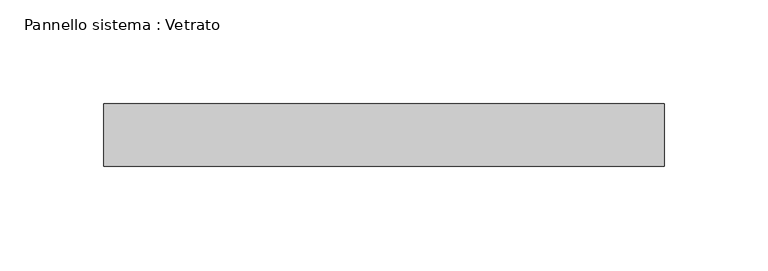
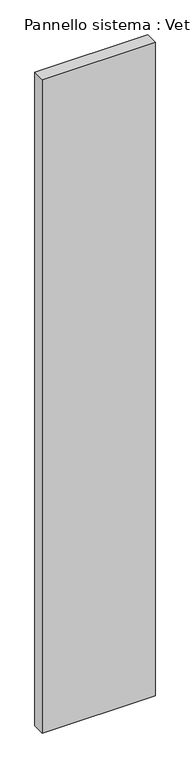
"""IFC4 building model written with IfcOpenShell, lengths in millimetres: plate geometry, Pannello sistema : Vetrato."""

import ifcopenshell
import ifcopenshell.guid

model = None  # the IFC model being written
_history = None  # IfcOwnerHistory: only IFC2X3 demands one
_inside = {}  # id of a spatial element -> (the spatial element, [elements in it])
_under = {}  # id of a project, library or spatial element -> (it, [spatial elements below it])
_declared = {}  # id of a project -> (the project, [libraries it declares])
_typed = {}  # id of a type object -> (the type object, [elements of that type])
_made_of = {}  # id of a material, layer set ... -> (it, [elements and type objects made of it])


def new_model(schema):
    """Start an empty IFC model of exactly this schema.

    Asked for "IFC4X3", IfcOpenShell would pick the latest addendum, in which some entities
    have other attributes; the version numbers below select the first issue.
    IFC2X3 requires an IfcOwnerHistory on every rooted entity: one is made here for all.
    """
    global model, _history
    if schema == "IFC4X3":
        model = ifcopenshell.file(schema_version=(4, 3, 0, 0))
    else:
        model = ifcopenshell.file(schema=schema)
    _inside.clear()
    _under.clear()
    _declared.clear()
    _typed.clear()
    _made_of.clear()
    _history = None
    if model.schema == "IFC2X3":
        org = make("IfcOrganization", Name="unknown")
        user = make(
            "IfcPersonAndOrganization",
            ThePerson=make("IfcPerson", FamilyName="unknown"),
            TheOrganization=org,
        )
        app = make(
            "IfcApplication",
            ApplicationDeveloper=org,
            Version="unknown",
            ApplicationFullName="unknown",
            ApplicationIdentifier="unknown",
        )
        _history = make(
            "IfcOwnerHistory",
            OwningUser=user,
            OwningApplication=app,
            ChangeAction="ADDED",
            CreationDate=0,
        )
    return model


def make(cls, **values):
    """One entity of the class cls with the attributes given. An attribute that is None is left unset."""
    return model.create_entity(
        cls, **{name: value for name, value in values.items() if value is not None}
    )


def rooted(cls, **values):
    """An entity with a GlobalId (a new one), such as an element, a storey or a relation."""
    return make(cls, GlobalId=ifcopenshell.guid.new(), OwnerHistory=_history, **values)


def si_unit(unit_type, name, prefix=None):
    """IfcSIUnit, for example si_unit("LENGTHUNIT", "METRE", prefix="MILLI")."""
    return make("IfcSIUnit", UnitType=unit_type, Prefix=prefix, Name=name)


def assignment(units):
    """IfcUnitAssignment: the units of a project."""
    return None if units is None else make("IfcUnitAssignment", Units=units)


def point(xyz):
    """IfcCartesianPoint."""
    return None if xyz is None else make("IfcCartesianPoint", Coordinates=xyz)


def direction(xyz):
    """IfcDirection."""
    return None if xyz is None else make("IfcDirection", DirectionRatios=xyz)


def frame(location, z_axis=None, x_axis=None):
    """IfcAxis2Placement3D, a coordinate frame: its origin and axes. An axis left out is left unset."""
    return make(
        "IfcAxis2Placement3D",
        Location=point(location),
        Axis=direction(z_axis),
        RefDirection=direction(x_axis),
    )


def origin():
    """The frame at (0, 0, 0) with its axes left unset."""
    return frame((0.0, 0.0, 0.0))


def origin_with_axes():
    """The frame at (0, 0, 0) with the z axis (0, 0, 1) and the x axis (1, 0, 0) written out."""
    return frame((0.0, 0.0, 0.0), z_axis=(0.0, 0.0, 1.0), x_axis=(1.0, 0.0, 0.0))


def place(relative_to, where):
    """IfcLocalPlacement: puts the frame where relative to a parent placement (None: the world)."""
    return make(
        "IfcLocalPlacement", PlacementRelTo=relative_to, RelativePlacement=where
    )


def context(
    kind, dimensions, precision=None, world=None, true_north=None, identifier=None
):
    """IfcGeometricRepresentationContext, for example the 3D "Model" context."""
    return make(
        "IfcGeometricRepresentationContext",
        ContextIdentifier=identifier,
        ContextType=kind,
        CoordinateSpaceDimension=dimensions,
        Precision=precision,
        WorldCoordinateSystem=world,
        TrueNorth=true_north,
    )


def project(units=None, contexts=None):
    """IfcProject with its units and contexts."""
    return rooted(
        "IfcProject",
        Name="project",
        RepresentationContexts=contexts,
        UnitsInContext=assignment(units),
    )


def spatial(cls, under=None, at=None, **own):
    """A site, building, storey or space (cls), placed at a placement, below another one or the project."""
    s = rooted(cls, ObjectPlacement=at, **own)
    if under is not None:
        _under.setdefault(under.id(), (under, []))[1].append(s)
    return s


def polyline(points):
    """IfcPolyline through the points."""
    return make("IfcPolyline", Points=[point(p) for p in points])


def outline(outer, holes=None, kind="AREA"):
    """IfcArbitraryClosedProfileDef: a profile drawn as a closed curve; with holes, ...WithVoids."""
    if holes is None:
        return make("IfcArbitraryClosedProfileDef", ProfileType=kind, OuterCurve=outer)
    return make(
        "IfcArbitraryProfileDefWithVoids",
        ProfileType=kind,
        OuterCurve=outer,
        InnerCurves=holes,
    )


def extrude(swept, where, along, depth):
    """IfcExtrudedAreaSolid: the profile swept, set in the frame where, extruded along a direction by depth."""
    return make(
        "IfcExtrudedAreaSolid",
        SweptArea=swept,
        Position=where,
        ExtrudedDirection=direction(along),
        Depth=depth,
    )


def shape(context_of_items, identifier, shape_type, items):
    """IfcShapeRepresentation: the items that make up one representation, for example the "Body"."""
    return make(
        "IfcShapeRepresentation",
        ContextOfItems=context_of_items,
        RepresentationIdentifier=identifier,
        RepresentationType=shape_type,
        Items=items,
    )


def source(mapping_origin, context_of_items, identifier, shape_type, items):
    """IfcRepresentationMap: a shape defined once, which mapped items show again and again."""
    return make(
        "IfcRepresentationMap",
        MappingOrigin=mapping_origin,
        MappedRepresentation=shape(context_of_items, identifier, shape_type, items),
    )


def transform(
    local_origin,
    x_axis=None,
    y_axis=None,
    z_axis=None,
    scale=None,
    scale2=None,
    scale3=None,
    uniform=True,
):
    """IfcCartesianTransformationOperator3D, or its non-uniform kind. x_axis, y_axis, z_axis: its Axis1, 2, 3."""
    if uniform:
        return make(
            "IfcCartesianTransformationOperator3D",
            Axis1=direction(x_axis),
            Axis2=direction(y_axis),
            LocalOrigin=point(local_origin),
            Scale=scale,
            Axis3=direction(z_axis),
        )
    return make(
        "IfcCartesianTransformationOperator3DnonUniform",
        Axis1=direction(x_axis),
        Axis2=direction(y_axis),
        LocalOrigin=point(local_origin),
        Scale=scale,
        Axis3=direction(z_axis),
        Scale2=scale2,
        Scale3=scale3,
    )


def mapped(mapping_source, mapping_target):
    """IfcMappedItem: shows the shape of a source again, moved by a transform."""
    return make(
        "IfcMappedItem", MappingSource=mapping_source, MappingTarget=mapping_target
    )


def made_of(thing, what):
    """Note that an element or type object is made of a material, layer set ...; save() writes the relation."""
    if what is not None:
        _made_of.setdefault(what.id(), (what, []))[1].append(thing)
    return thing


def element(
    cls,
    number,
    at=None,
    inside=None,
    cuts=None,
    type_object=None,
    material=None,
    context=None,
    identifier="Body",
    shape_type=None,
    held_by="IfcProductDefinitionShape",
    body=None,
    shapes=None,
    **own,
):
    """One element of the class cls, such as IfcWall. Its Tag is "e" and its number.

    at: its placement. inside: the storey or other place that contains it. cuts: it is an
    opening in that element (IfcRelVoidsElement). A single representation is given by context,
    identifier, shape_type and body (its items); several are given by shapes. held_by: the class
    of the entity that holds the representations. save() writes the other relations.
    """
    e = rooted(cls, Tag="e%d" % number, ObjectPlacement=at, **own)
    if body is not None:
        shapes = [shape(context, identifier, shape_type, body)]
    if shapes is not None:
        e.Representation = make(held_by, Representations=shapes)
    if inside is not None:
        _inside.setdefault(inside.id(), (inside, []))[1].append(e)
    if cuts is not None:
        rooted(
            "IfcRelVoidsElement", RelatingBuildingElement=cuts, RelatedOpeningElement=e
        )
    if type_object is not None:
        _typed.setdefault(type_object.id(), (type_object, []))[1].append(e)
    return made_of(e, material)


def aggregate(whole, parts):
    """IfcRelAggregates: a whole, such as a stair, and the parts it consists of."""
    return rooted("IfcRelAggregates", RelatingObject=whole, RelatedObjects=parts)


def save(model, path):
    """Write the relations noted so far, then the file.

    IfcRelAggregates (storeys below a building ...), IfcRelContainedInSpatialStructure (elements
    in a storey), IfcRelDefinesByType, IfcRelAssociatesMaterial and IfcRelDeclares: one each for
    every whole, place, type object, material and project.
    """
    for whole, parts in _under.values():
        aggregate(whole, parts)
    for where, things in _inside.values():
        rooted(
            "IfcRelContainedInSpatialStructure",
            RelatedElements=things,
            RelatingStructure=where,
        )
    for kind, things in _typed.values():
        rooted("IfcRelDefinesByType", RelatedObjects=things, RelatingType=kind)
    for what, things in _made_of.values():
        rooted("IfcRelAssociatesMaterial", RelatedObjects=things, RelatingMaterial=what)
    for by, libraries in _declared.values():
        rooted("IfcRelDeclares", RelatingContext=by, RelatedDefinitions=libraries)
    model.write(path)


def pannello_sistema_vetrato_1ecf3080(model_context):
    return source(origin(), model_context, "Body", "SweptSolid", [
        extrude(outline(polyline([(134.8315586, -15.0), (-134.8315586, -15.0), (-134.8315586, 15.0), (134.8315586, 15.0), (134.8315586, -15.0)])), origin_with_axes(), (0.0, 0.0, 1.0), 1650.0),
    ])


if __name__ == "__main__":
    model = new_model("IFC4")
    model_context = context("Model", 3, world=origin())
    ifc_project = project(units=[si_unit("LENGTHUNIT", "METRE", prefix="MILLI")], contexts=[model_context])
    site = spatial("IfcSite", under=ifc_project)
    building = spatial("IfcBuilding", under=site)
    placement = place(None, origin())
    pannello_sistema_vetrato_shape = pannello_sistema_vetrato_1ecf3080(model_context)
    element("IfcPlate", 1, ObjectType="Pannello sistema : Vetrato", at=placement, inside=building, context=model_context, shape_type="MappedRepresentation", body=[
        mapped(pannello_sistema_vetrato_shape, transform((0.0, 0.0, 0.0), x_axis=(1.0, 0.0, 0.0), y_axis=(0.0, 1.0, 0.0), z_axis=(0.0, 0.0, 1.0))),
    ])
    save(model, "model.ifc")
